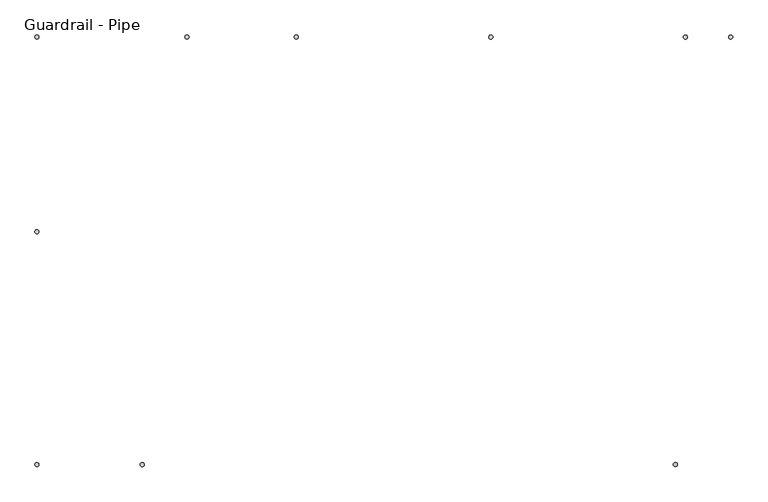
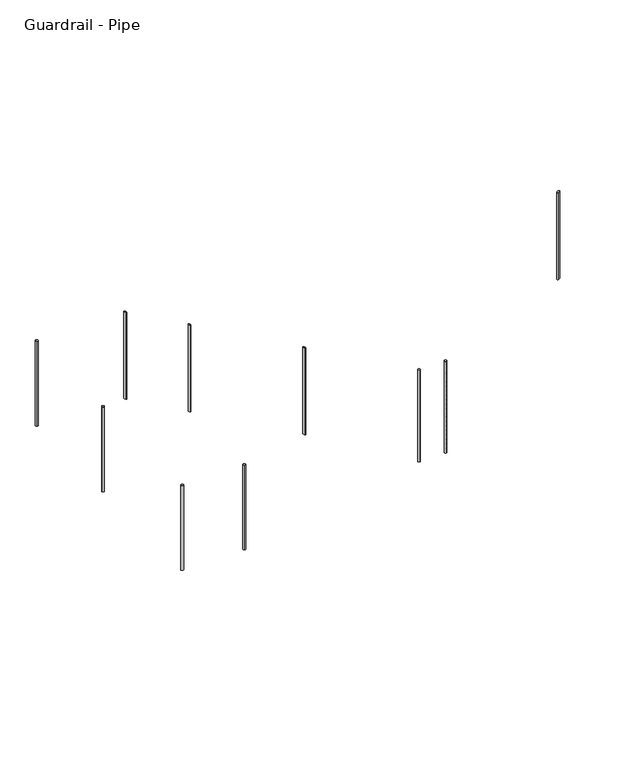
"""IFC4 building model written with IfcOpenShell, lengths in millimetres: railing geometry, Guardrail - Pipe."""

from ifc_helpers import new_model, si_unit, point, frame, frame_2d, origin, place, context, project, spatial, circle_curve, ellipse_curve, trimmed, segment, composite_curve, outline, extrude, source, transform, mapped, element, save
from ifc_brep_helpers import plane_surface, cylinder_surface, advanced_brep


def guardrail_pipe_bf022409(model_context):
    return source(origin(), model_context, "Body", "SolidModel", [
        extrude(outline(composite_curve([segment(trimmed(circle_curve(frame_2d((-14610.2112561, 2825.0151259)), 12.7), [point((-14597.5112561, 2825.0151259))], [point((-14622.9112561, 2825.0151259))], False, "CARTESIAN"), True, "CONTINUOUS"), segment(trimmed(circle_curve(frame_2d((-14610.2112561, 2825.0151259)), 12.7), [point((-14622.9112561, 2825.0151259))], [point((-14597.5112561, 2825.0151259))], False, "CARTESIAN"), True, "CONTINUOUS")], self_intersect=False)), frame((0.0, 0.0, 5787.8869565), z_axis=(0.0, 0.0, 1.0), x_axis=(1.0, 0.0, 0.0)), (0.0, 0.0, 1.0), 952.5),
        advanced_brep(
        [(-12985.1109142, 4056.9151259, 6351.0481171), (-12985.1109142, 4056.9151259, 5376.8695437), (-12985.1109142, 4031.5151259, 5376.8695437), (-12985.1109142, 4031.5151259, 6351.0481171)],
        [
            (0, 1),
            (1, 2, ellipse_curve(frame((-12985.1109142, 4044.2151259, 5376.8695437), z_axis=(0.48860650850001475, 0.0, 0.872504257784124), x_axis=(-0.8725042577841241, 0.0, 0.4886065085000147)), 14.5558029, 12.7)),
            (2, 3),
            (3, 0, ellipse_curve(frame((-12985.1109142, 4044.2151259, 6351.0481171), z_axis=(-0.48860650850001314, 0.0, -0.8725042577841249), x_axis=(-0.8725042577841249, 0.0, 0.4886065085000131)), 14.5558029, 12.7)),
            (0, 3, ellipse_curve(frame((-12985.1109142, 4044.2151259, 6351.0481171), z_axis=(-0.48860650850001314, 0.0, -0.8725042577841249), x_axis=(-0.8725042577841249, 0.0, 0.4886065085000131)), 14.5558029, 12.7)),
            (2, 1, ellipse_curve(frame((-12985.1109142, 4044.2151259, 5376.8695437), z_axis=(0.48860650850001475, 0.0, 0.872504257784124), x_axis=(-0.8725042577841241, 0.0, 0.4886065085000147)), 14.5558029, 12.7)),
        ],
        [
            cylinder_surface(frame((-12985.1109142, 4044.2151259, 5148.2695437), z_axis=(0.0, 0.0, 1.0), x_axis=(0.0, -1.0, 0.0)), 12.7),
            plane_surface(frame((-13010.5109142, 4018.8151259, 6365.2722372), z_axis=(0.48860650850001314, 0.0, 0.8725042577841249), x_axis=(0.0, 1.0, 0.0))),
            plane_surface(frame((-12959.7109142, 4018.8151259, 5362.6454237), z_axis=(-0.48860650850001475, 0.0, -0.872504257784124), x_axis=(0.0, 1.0, 0.0))),
        ],
        [
            (0, [[1, 2, 3, 4]]),
            (0, [[-1, 5, -3, 6]]),
            (1, [[-4, -5]]),
            (2, [[-2, -6]]),
        ],
    ),
        advanced_brep(
        [(-11765.9109142, 4056.9151259, 5668.2903542), (-11765.9109142, 4056.9151259, 4694.1117808), (-11765.9109142, 4031.5151259, 4694.1117808), (-11765.9109142, 4031.5151259, 5668.2903542)],
        [
            (0, 1),
            (1, 2, ellipse_curve(frame((-11765.9109142, 4044.2151259, 4694.1117808), z_axis=(0.48860650850001475, 0.0, 0.872504257784124), x_axis=(-0.8725042577841241, 0.0, 0.4886065085000147)), 14.5558029, 12.7)),
            (2, 3),
            (3, 0, ellipse_curve(frame((-11765.9109142, 4044.2151259, 5668.2903542), z_axis=(-0.48860650850001314, 0.0, -0.8725042577841249), x_axis=(-0.8725042577841249, 0.0, 0.4886065085000131)), 14.5558029, 12.7)),
            (0, 3, ellipse_curve(frame((-11765.9109142, 4044.2151259, 5668.2903542), z_axis=(-0.48860650850001314, 0.0, -0.8725042577841249), x_axis=(-0.8725042577841249, 0.0, 0.4886065085000131)), 14.5558029, 12.7)),
            (2, 1, ellipse_curve(frame((-11765.9109142, 4044.2151259, 4694.1117808), z_axis=(0.48860650850001475, 0.0, 0.872504257784124), x_axis=(-0.8725042577841241, 0.0, 0.4886065085000147)), 14.5558029, 12.7)),
        ],
        [
            cylinder_surface(frame((-11765.9109142, 4044.2151259, 4465.5117808), z_axis=(0.0, 0.0, 1.0), x_axis=(0.0, -1.0, 0.0)), 12.7),
            plane_surface(frame((-11791.3109142, 4018.8151259, 5682.5144743), z_axis=(0.48860650850001314, 0.0, 0.8725042577841249), x_axis=(0.0, 1.0, 0.0))),
            plane_surface(frame((-11740.5109142, 4018.8151259, 4679.8876608), z_axis=(-0.48860650850001475, 0.0, -0.872504257784124), x_axis=(0.0, 1.0, 0.0))),
        ],
        [
            (0, [[1, 2, 3, 4]]),
            (0, [[-1, 5, -3, 6]]),
            (1, [[-4, -5]]),
            (2, [[-2, -6]]),
        ],
    ),
        extrude(outline(composite_curve([segment(trimmed(circle_curve(frame_2d((-13949.8112561, 1367.0404418)), 12.7), [point((-13949.8112561, 1379.7404418))], [point((-13949.8112561, 1354.3404418))], False, "CARTESIAN"), True, "CONTINUOUS"), segment(trimmed(circle_curve(frame_2d((-13949.8112561, 1367.0404418)), 12.7), [point((-13949.8112561, 1354.3404418))], [point((-13949.8112561, 1379.7404418))], False, "CARTESIAN"), True, "CONTINUOUS")], self_intersect=False)), frame((0.0, 0.0, 5787.8869565), z_axis=(0.0, 0.0, 1.0), x_axis=(1.0, 0.0, 0.0)), (0.0, 0.0, 1.0), 952.5),
        extrude(outline(composite_curve([segment(trimmed(circle_curve(frame_2d((-14610.2112561, 1367.0404418)), 12.7), [point((-14597.5112561, 1367.0404418))], [point((-14622.9112561, 1367.0404418))], False, "CARTESIAN"), True, "CONTINUOUS"), segment(trimmed(circle_curve(frame_2d((-14610.2112561, 1367.0404418)), 12.7), [point((-14622.9112561, 1367.0404418))], [point((-14597.5112561, 1367.0404418))], False, "CARTESIAN"), True, "CONTINUOUS")], self_intersect=False)), frame((0.0, 0.0, 5787.8869565), z_axis=(0.0, 0.0, 1.0), x_axis=(1.0, 0.0, 0.0)), (0.0, 0.0, 1.0), 952.5),
        extrude(outline(composite_curve([segment(trimmed(circle_curve(frame_2d((-14610.2112561, 4044.2151259)), 12.7), [point((-14610.2112561, 4031.5151259))], [point((-14610.2112561, 4056.9151259))], False, "CARTESIAN"), True, "CONTINUOUS"), segment(trimmed(circle_curve(frame_2d((-14610.2112561, 4044.2151259)), 12.7), [point((-14610.2112561, 4056.9151259))], [point((-14610.2112561, 4031.5151259))], False, "CARTESIAN"), True, "CONTINUOUS")], self_intersect=False)), frame((0.0, 0.0, 5787.8869565), z_axis=(0.0, 0.0, 1.0), x_axis=(1.0, 0.0, 0.0)), (0.0, 0.0, 1.0), 952.5),
        advanced_brep(
        [(-13670.4112561, 4056.9151259, 6734.8195478), (-13670.4112561, 4056.9151259, 5760.6409745), (-13670.4112561, 4031.5151259, 5760.6409745), (-13670.4112561, 4031.5151259, 6734.8195478)],
        [
            (0, 1),
            (1, 2, ellipse_curve(frame((-13670.4112561, 4044.2151259, 5760.6409745), z_axis=(0.48860650850001475, 0.0, 0.872504257784124), x_axis=(-0.8725042577841241, 0.0, 0.4886065085000147)), 14.5558029, 12.7)),
            (2, 3),
            (3, 0, ellipse_curve(frame((-13670.4112561, 4044.2151259, 6734.8195478), z_axis=(-0.48860650850001314, 0.0, -0.8725042577841249), x_axis=(-0.8725042577841249, 0.0, 0.4886065085000131)), 14.5558029, 12.7)),
            (0, 3, ellipse_curve(frame((-13670.4112561, 4044.2151259, 6734.8195478), z_axis=(-0.48860650850001314, 0.0, -0.8725042577841249), x_axis=(-0.8725042577841249, 0.0, 0.4886065085000131)), 14.5558029, 12.7)),
            (2, 1, ellipse_curve(frame((-13670.4112561, 4044.2151259, 5760.6409745), z_axis=(0.48860650850001475, 0.0, 0.872504257784124), x_axis=(-0.8725042577841241, 0.0, 0.4886065085000147)), 14.5558029, 12.7)),
        ],
        [
            cylinder_surface(frame((-13670.4112561, 4044.2151259, 5532.0409745), z_axis=(0.0, 0.0, 1.0), x_axis=(0.0, -1.0, 0.0)), 12.7),
            plane_surface(frame((-13695.8112561, 4018.8151259, 6749.0436679), z_axis=(0.48860650850001314, 0.0, 0.8725042577841249), x_axis=(0.0, 1.0, 0.0))),
            plane_surface(frame((-13645.0112561, 4018.8151259, 5746.4168544), z_axis=(-0.48860650850001475, 0.0, -0.872504257784124), x_axis=(0.0, 1.0, 0.0))),
        ],
        [
            (0, [[1, 2, 3, 4]]),
            (0, [[-1, 5, -3, 6]]),
            (1, [[-4, -5]]),
            (2, [[-2, -6]]),
        ],
    ),
        extrude(outline(composite_curve([segment(trimmed(circle_curve(frame_2d((-10546.7109142, 4044.2151259)), 12.7), [point((-10546.7109142, 4031.5151259))], [point((-10546.7109142, 4056.9151259))], False, "CARTESIAN"), True, "CONTINUOUS"), segment(trimmed(circle_curve(frame_2d((-10546.7109142, 4044.2151259)), 12.7), [point((-10546.7109142, 4056.9151259))], [point((-10546.7109142, 4031.5151259))], False, "CARTESIAN"), True, "CONTINUOUS")], self_intersect=False)), frame((0.0, 0.0, 3962.4), z_axis=(0.0, 0.0, 1.0), x_axis=(1.0, 0.0, 0.0)), (0.0, 0.0, 1.0), 1028.7),
        advanced_brep(
        [(-10609.7112561, 1354.3404418, 8635.7324549), (-10609.7112561, 1354.3404418, 7662.5218565), (-10609.7112561, 1379.7404418, 7662.5218565), (-10609.7112561, 1379.7404418, 8635.7324549)],
        [
            (0, 1),
            (1, 2, ellipse_curve(frame((-10609.7112561, 1367.0404418, 7662.5218565), z_axis=(-0.4946584702428729, 0.0, 0.8690874511906043), x_axis=(0.8690874511906043, 0.0, 0.4946584702428727)), 14.6130289, 12.7)),
            (2, 3),
            (3, 0, ellipse_curve(frame((-10609.7112561, 1367.0404418, 8635.7324549), z_axis=(0.49465847024286946, 0.0, -0.8690874511906063), x_axis=(0.8690874511906064, 0.0, 0.49465847024286896)), 14.6130289, 12.7)),
            (0, 3, ellipse_curve(frame((-10609.7112561, 1367.0404418, 8635.7324549), z_axis=(0.49465847024286946, 0.0, -0.8690874511906063), x_axis=(0.8690874511906064, 0.0, 0.49465847024286896)), 14.6130289, 12.7)),
            (2, 1, ellipse_curve(frame((-10609.7112561, 1367.0404418, 7662.5218565), z_axis=(-0.4946584702428729, 0.0, 0.8690874511906043), x_axis=(0.8690874511906043, 0.0, 0.4946584702428727)), 14.6130289, 12.7)),
        ],
        [
            cylinder_surface(frame((-10609.7112561, 1367.0404418, 7433.9218565), z_axis=(0.0, 0.0, 1.0), x_axis=(0.0, 1.0, 0.0)), 12.7),
            plane_surface(frame((-10584.3112561, 1392.4404418, 8650.1893719), z_axis=(-0.49465847024286946, 0.0, 0.8690874511906063), x_axis=(0.0, -1.0, 0.0))),
            plane_surface(frame((-10635.1112561, 1392.4404418, 7648.0649395), z_axis=(0.4946584702428729, 0.0, -0.8690874511906043), x_axis=(0.0, -1.0, 0.0))),
        ],
        [
            (0, [[1, 2, 3, 4]]),
            (0, [[-1, 5, -3, 6]]),
            (1, [[-4, -5]]),
            (2, [[-2, -6]]),
        ],
    ),
        extrude(outline(composite_curve([segment(trimmed(circle_curve(frame_2d((-10263.7564309, 4044.2151259)), 12.7), [point((-10263.7564309, 4031.5151259))], [point((-10263.7564309, 4056.9151259))], False, "CARTESIAN"), True, "CONTINUOUS"), segment(trimmed(circle_curve(frame_2d((-10263.7564309, 4044.2151259)), 12.7), [point((-10263.7564309, 4056.9151259))], [point((-10263.7564309, 4031.5151259))], False, "CARTESIAN"), True, "CONTINUOUS")], self_intersect=False)), frame((0.0, 0.0, 3962.4), z_axis=(0.0, 0.0, 1.0), x_axis=(1.0, 0.0, 0.0)), (0.0, 0.0, 1.0), 1028.7),
    ])


if __name__ == "__main__":
    model = new_model("IFC4")
    model_context = context("Model", 3, world=origin())
    ifc_project = project(units=[si_unit("LENGTHUNIT", "METRE", prefix="MILLI")], contexts=[model_context])
    site = spatial("IfcSite", under=ifc_project)
    building = spatial("IfcBuilding", under=site)
    placement = place(None, origin())
    guardrail_pipe_shape = guardrail_pipe_bf022409(model_context)
    element("IfcRailing", 1, ObjectType="Guardrail - Pipe", at=placement, inside=building, context=model_context, shape_type="MappedRepresentation", body=[
        mapped(guardrail_pipe_shape, transform((0.0, 0.0, 0.0), x_axis=(1.0, 0.0, 0.0), y_axis=(0.0, 1.0, 0.0), z_axis=(0.0, 0.0, 1.0))),
    ])
    save(model, "model.ifc")
